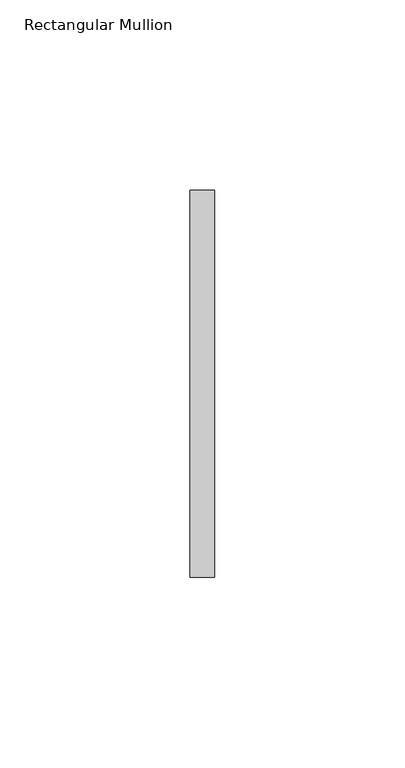
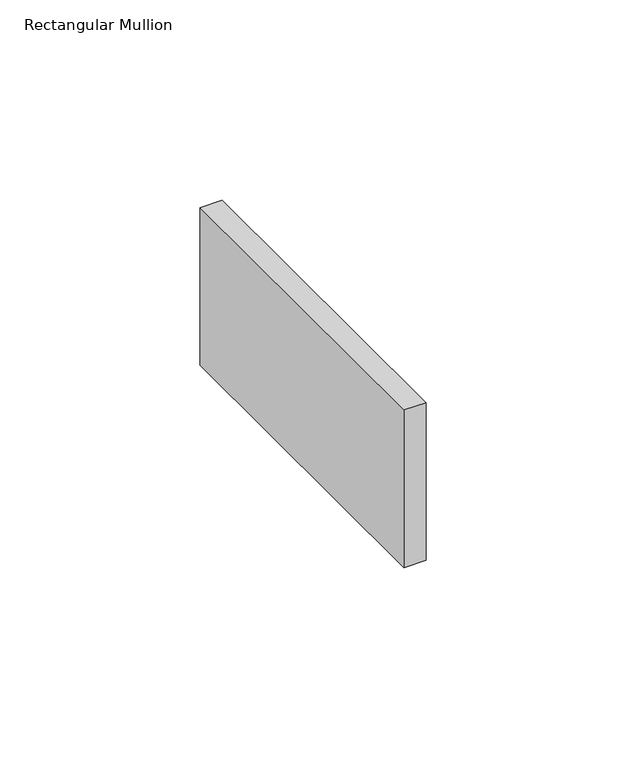
"""IFC4 building model written with IfcOpenShell, lengths in millimetres: member geometry, Rectangular Mullion."""

from ifc_helpers import new_model, si_unit, frame, origin, place, context, project, spatial, polyline, outline, extrude, source, transform, mapped, element, save


def rectangular_mullion_16aca84c(model_context):
    return source(origin(), model_context, "Body", "SweptSolid", [
        extrude(outline(polyline([(0.0, 50.8), (0.0, -50.8), (-6.35, -50.8), (-6.35, 50.8), (0.0, 50.8)])), frame((0.0, 0.0, -48.0032805), z_axis=(0.0, 0.0, 1.0), x_axis=(1.0, 0.0, 0.0)), (0.0, 0.0, 1.0), 48.0032805),
    ])


if __name__ == "__main__":
    model = new_model("IFC4")
    model_context = context("Model", 3, world=origin())
    ifc_project = project(units=[si_unit("LENGTHUNIT", "METRE", prefix="MILLI")], contexts=[model_context])
    site = spatial("IfcSite", under=ifc_project)
    building = spatial("IfcBuilding", under=site)
    placement = place(None, origin())
    rectangular_mullion_shape = rectangular_mullion_16aca84c(model_context)
    element("IfcMember", 1, ObjectType="Rectangular Mullion", at=placement, inside=building, context=model_context, shape_type="MappedRepresentation", body=[
        mapped(rectangular_mullion_shape, transform((0.0, 0.0, 0.0), x_axis=(1.0, 0.0, 0.0), y_axis=(0.0, 1.0, 0.0), z_axis=(0.0, 0.0, 1.0))),
    ])
    save(model, "model.ifc")
